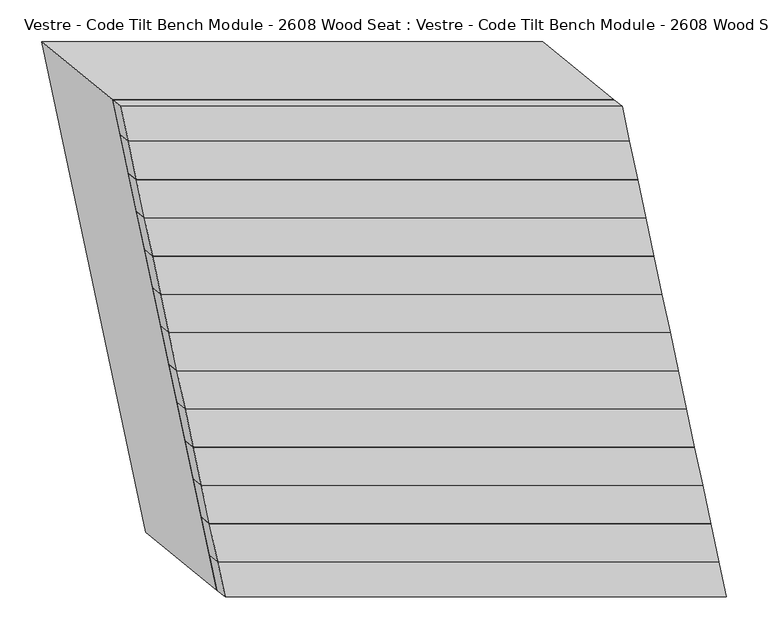
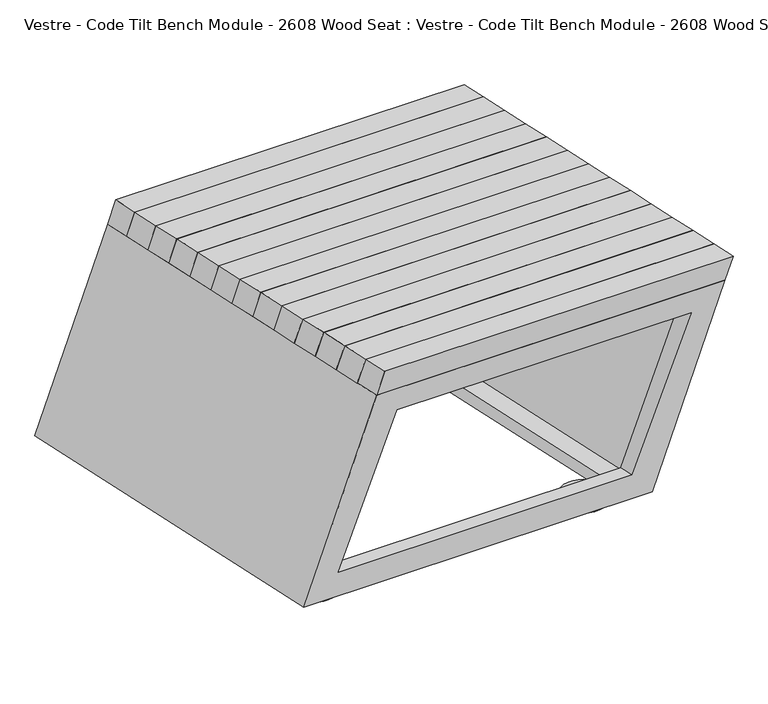
"""IFC4 building model written with IfcOpenShell, lengths in millimetres: furniture geometry, Vestre - Code Tilt Bench Module - 2608 Wood Seat : Vestre - Code Tilt Bench Module - 2608 Wood Seat."""

from ifc_helpers import new_model, si_unit, point, frame, frame_2d, origin, origin_with_axes, place, context, project, spatial, circle_curve, trimmed, segment, composite_curve, outline, extrude, faceted_brep, source, transform, mapped, element, save


def vestre_code_tilt_bench_module_2608_wood_seat_vestre_code_309c81ad(model_context):
    return source(origin(), model_context, "Body", "SolidModel", [
        faceted_brep([(244.0437897, 174.1919917, 465.0), (-355.9562103, 174.1919917, 465.0), (-346.2319436, 128.4429141, 465.0), (253.7680564, 128.4429141, 465.0), (234.3979186, 182.0875693, 419.8134138), (244.1221852, 136.3384916, 419.8134138), (-355.8778148, 136.3384916, 419.8134138), (-365.6020814, 182.0875693, 419.8134138)], [[[0, 1, 2, 3]], [[4, 5, 6, 7]], [[4, 7, 1, 0]], [[7, 6, 2, 1]], [[6, 5, 3, 2]], [[5, 4, 0, 3]]]),
        faceted_brep([(253.7680564, 128.4429141, 465.0), (-346.2319436, 128.4429141, 465.0), (-336.507677, 82.6938364, 465.0), (263.492323, 82.6938364, 465.0), (244.1221852, 136.3384916, 419.8134138), (253.8464519, 90.5894139, 419.8134138), (-346.1535481, 90.5894139, 419.8134138), (-355.8778148, 136.3384916, 419.8134138)], [[[0, 1, 2, 3]], [[4, 5, 6, 7]], [[4, 7, 1, 0]], [[7, 6, 2, 1]], [[6, 5, 3, 2]], [[5, 4, 0, 3]]]),
        faceted_brep([(263.492323, 82.6938364, 465.0), (-336.507677, 82.6938364, 465.0), (-326.7834103, 36.9447587, 465.0), (273.2165897, 36.9447587, 465.0), (253.8464519, 90.5894139, 419.8134138), (263.5707185, 44.8403363, 419.8134138), (-336.4292815, 44.8403363, 419.8134138), (-346.1535481, 90.5894139, 419.8134138)], [[[0, 1, 2, 3]], [[4, 5, 6, 7]], [[4, 7, 1, 0]], [[7, 6, 2, 1]], [[6, 5, 3, 2]], [[5, 4, 0, 3]]]),
        faceted_brep([(273.2165897, 36.9447587, 465.0), (-326.7834103, 36.9447587, 465.0), (-317.0591437, -8.8043189, 465.0), (282.9408563, -8.8043189, 465.0), (263.5707185, 44.8403363, 419.8134138), (273.2949852, -0.9087414, 419.8134138), (-326.7050148, -0.9087414, 419.8134138), (-336.4292815, 44.8403363, 419.8134138)], [[[0, 1, 2, 3]], [[4, 5, 6, 7]], [[4, 7, 1, 0]], [[7, 6, 2, 1]], [[6, 5, 3, 2]], [[5, 4, 0, 3]]]),
        faceted_brep([(282.9408563, -8.8043189, 465.0), (-317.0591437, -8.8043189, 465.0), (-307.334877, -54.5533966, 465.0), (292.665123, -54.5533966, 465.0), (273.2949852, -0.9087414, 419.8134138), (283.0192518, -46.657819, 419.8134138), (-316.9807482, -46.657819, 419.8134138), (-326.7050148, -0.9087414, 419.8134138)], [[[0, 1, 2, 3]], [[4, 5, 6, 7]], [[4, 7, 1, 0]], [[7, 6, 2, 1]], [[6, 5, 3, 2]], [[5, 4, 0, 3]]]),
        faceted_brep([(292.665123, -54.5533966, 465.0), (-307.334877, -54.5533966, 465.0), (-297.6106104, -100.3024742, 465.0), (302.3893896, -100.3024742, 465.0), (283.0192518, -46.657819, 419.8134138), (292.7435185, -92.4068967, 419.8134138), (-307.2564815, -92.4068967, 419.8134138), (-316.9807482, -46.657819, 419.8134138)], [[[0, 1, 2, 3]], [[4, 5, 6, 7]], [[4, 7, 1, 0]], [[7, 6, 2, 1]], [[6, 5, 3, 2]], [[5, 4, 0, 3]]]),
        faceted_brep([(302.3893896, -100.3024742, 465.0), (-297.6106104, -100.3024742, 465.0), (-287.8863437, -146.0515519, 465.0), (312.1136563, -146.0515519, 465.0), (292.7435185, -92.4068967, 419.8134138), (302.4677851, -138.1559744, 419.8134138), (-297.5322149, -138.1559744, 419.8134138), (-307.2564815, -92.4068967, 419.8134138)], [[[0, 1, 2, 3]], [[4, 5, 6, 7]], [[4, 7, 1, 0]], [[7, 6, 2, 1]], [[6, 5, 3, 2]], [[5, 4, 0, 3]]]),
        faceted_brep([(312.1136563, -146.0515519, 465.0), (-287.8863437, -146.0515519, 465.0), (-278.1620771, -191.8006296, 465.0), (321.8379229, -191.8006296, 465.0), (302.4677851, -138.1559744, 419.8134138), (312.1920518, -183.905052, 419.8134138), (-287.8079482, -183.905052, 419.8134138), (-297.5322149, -138.1559744, 419.8134138)], [[[0, 1, 2, 3]], [[4, 5, 6, 7]], [[4, 7, 1, 0]], [[7, 6, 2, 1]], [[6, 5, 3, 2]], [[5, 4, 0, 3]]]),
        faceted_brep([(321.8379229, -191.8006296, 465.0), (-278.1620771, -191.8006296, 465.0), (-268.4378105, -237.5497072, 465.0), (331.5621895, -237.5497072, 465.0), (312.1920518, -183.905052, 419.8134138), (321.9163184, -229.6541297, 419.8134138), (-278.0836816, -229.6541297, 419.8134138), (-287.8079482, -183.905052, 419.8134138)], [[[0, 1, 2, 3]], [[4, 5, 6, 7]], [[4, 7, 1, 0]], [[7, 6, 2, 1]], [[6, 5, 3, 2]], [[5, 4, 0, 3]]]),
        faceted_brep([(331.5621895, -237.5497072, 465.0), (-268.4378105, -237.5497072, 465.0), (-258.7135438, -283.2987849, 465.0), (341.2864562, -283.2987849, 465.0), (321.9163184, -229.6541297, 419.8134138), (331.6405851, -275.4032074, 419.8134138), (-268.3594149, -275.4032074, 419.8134138), (-278.0836816, -229.6541297, 419.8134138)], [[[0, 1, 2, 3]], [[4, 5, 6, 7]], [[4, 7, 1, 0]], [[7, 6, 2, 1]], [[6, 5, 3, 2]], [[5, 4, 0, 3]]]),
        faceted_brep([(341.2864562, -283.2987849, 465.0), (-258.7135438, -283.2987849, 465.0), (-248.9892772, -329.0478626, 465.0), (351.0107228, -329.0478626, 465.0), (331.6405851, -275.4032074, 419.8134138), (341.3648517, -321.152285, 419.8134138), (-258.6351483, -321.152285, 419.8134138), (-268.3594149, -275.4032074, 419.8134138)], [[[0, 1, 2, 3]], [[4, 5, 6, 7]], [[4, 7, 1, 0]], [[7, 6, 2, 1]], [[6, 5, 3, 2]], [[5, 4, 0, 3]]]),
        faceted_brep([(235.1533674, 216.0181403, 465.0), (-364.8466326, 216.0181403, 465.0), (-355.9562103, 174.1919917, 465.0), (244.0437897, 174.1919917, 465.0), (225.5082596, 223.9101268, 419.8134138), (234.3979186, 182.0875693, 419.8134138), (-365.6020814, 182.0875693, 419.8134138), (-374.4917404, 223.9101268, 419.8134138)], [[[0, 1, 2, 3]], [[4, 5, 6, 7]], [[4, 7, 1, 0]], [[7, 6, 2, 1]], [[6, 5, 3, 2]], [[5, 4, 0, 3]]]),
        extrude(outline(composite_curve([segment(trimmed(circle_curve(frame_2d((-379.2374486, 228.4385142)), 5.0), [point((-374.2374486, 228.4385142))], [point((-384.2374486, 228.4385142))], False, "CARTESIAN"), True, "CONTINUOUS"), segment(trimmed(circle_curve(frame_2d((-379.2374486, 228.4385142)), 5.0), [point((-384.2374486, 228.4385142))], [point((-374.2374486, 228.4385142))], False, "CARTESIAN"), True, "CONTINUOUS")], self_intersect=False)), frame((0.0, 0.0, 5.0), z_axis=(0.0, 0.0, 1.0), x_axis=(1.0, 0.0, 0.0)), (0.0, 0.0, 1.0), 16.8677277),
        extrude(outline(composite_curve([segment(trimmed(circle_curve(frame_2d((87.8263213, 228.4385142)), 5.0), [point((92.8263213, 228.4385142))], [point((82.8263213, 228.4385142))], False, "CARTESIAN"), True, "CONTINUOUS"), segment(trimmed(circle_curve(frame_2d((87.8263213, 228.4385142)), 5.0), [point((82.8263213, 228.4385142))], [point((92.8263213, 228.4385142))], False, "CARTESIAN"), True, "CONTINUOUS")], self_intersect=False)), frame((0.0, 0.0, 5.0), z_axis=(0.0, 0.0, 1.0), x_axis=(1.0, 0.0, 0.0)), (0.0, 0.0, 1.0), 16.8677277),
        faceted_brep([(-249.744726, -362.9784336, 419.8134138), (350.255274, -362.9784336, 419.8134138), (225.5082596, 223.9101268, 419.8134138), (-374.4917404, 223.9101268, 419.8134138), (287.594671, -312.2208839, 419.8134138), (-208.6618234, -312.2208839, 419.8134138), (-314.2670481, 184.6126361, 419.8134138), (181.9894462, 184.6126361, 419.8134138), (-334.6932278, -293.4442802, 21.8677277), (-459.4402423, 293.4442802, 21.8677277), (140.5597577, 293.4442802, 21.8677277), (265.3067722, -293.4442802, 21.8677277), (-293.6103253, -242.6867305, 21.8677277), (202.6461691, -242.6867305, 21.8677277), (99.0835894, 244.5369002, 21.8677277), (-397.172905, 244.5369002, 21.8677277), (-209.3488955, -355.103719, 374.7462265), (296.709699, -355.103719, 374.7462265), (225.0941493, -302.1809189, 71.8677277), (-280.9644451, -302.1809189, 71.8677277), (284.0453984, -309.3156453, 403.1866612), (-212.211096, -309.3156453, 403.1866612), (-289.5258429, -246.0300623, 41.0016985), (206.7306515, -246.0300623, 41.0016985), (178.5255183, 187.1163595, 403.1866612), (103.0698576, 241.6556298, 41.0016985), (-317.730976, 187.1163595, 403.1866612), (-393.1866367, 241.6556298, 41.0016985), (-215.0563962, -328.2520393, 374.7462265), (291.0021983, -328.2520393, 374.7462265), (219.9541961, -277.9993402, 71.8677277), (-286.1043984, -277.9993402, 71.8677277), (-224.6981062, -332.9707916, 403.1866612), (-340.5414324, 212.0292084, 403.1866612), (201.2990829, 212.0292084, 403.1866612), (317.142409, -332.9707916, 403.1866612), (-322.5535579, -272.8781405, 41.0016985), (246.6076242, -272.8781405, 41.0016985), (131.2549878, 269.8133464, 41.0016985), (-437.9061944, 269.8133464, 41.0016985)], [[[0, 1, 2, 3], [4, 5, 6, 7]], [[8, 9, 10, 11], [12, 13, 14, 15]], [[1, 0, 8, 11], [16, 17, 18, 19]], [[2, 1, 11, 10]], [[3, 2, 10, 9]], [[0, 3, 9, 8]], [[5, 4, 20, 21]], [[13, 12, 22, 23]], [[4, 7, 24, 20]], [[14, 13, 23, 25]], [[7, 6, 26, 24]], [[15, 14, 25, 27]], [[6, 5, 21, 26]], [[12, 15, 27, 22]], [[17, 16, 28, 29]], [[19, 18, 30, 31]], [[18, 17, 29, 30]], [[16, 19, 31, 28]], [[32, 33, 34, 35], [21, 20, 24, 26]], [[36, 37, 38, 39], [23, 22, 27, 25]], [[32, 35, 37, 36], [29, 28, 31, 30]], [[35, 34, 38, 37]], [[34, 33, 39, 38]], [[33, 32, 36, 39]]]),
        faceted_brep([(351.0107228, -329.0478626, 465.0), (-248.9892772, -329.0478626, 465.0), (-240.0988548, -370.8740111, 465.0), (359.9011452, -370.8740111, 465.0), (341.3648517, -321.152285, 419.8134138), (350.255274, -362.9784336, 419.8134138), (-249.744726, -362.9784336, 419.8134138), (-258.6351483, -321.152285, 419.8134138)], [[[0, 1, 2, 3]], [[4, 5, 6, 7]], [[4, 7, 1, 0]], [[7, 6, 2, 1]], [[6, 5, 3, 2]], [[5, 4, 0, 3]]]),
        extrude(outline(composite_curve([segment(trimmed(circle_curve(frame_2d((-379.2930885, 228.6816045)), 40.0), [point((-339.2930885, 228.6816045))], [point((-419.2930885, 228.6816045))], False, "CARTESIAN"), True, "CONTINUOUS"), segment(trimmed(circle_curve(frame_2d((-379.2930885, 228.6816045)), 40.0), [point((-419.2930885, 228.6816045))], [point((-339.2930885, 228.6816045))], False, "CARTESIAN"), True, "CONTINUOUS")], self_intersect=False)), origin_with_axes(), (0.0, 0.0, 1.0), 5.0),
        extrude(outline(composite_curve([segment(trimmed(circle_curve(frame_2d((87.7706813, 228.6816045)), 40.0), [point((127.7706813, 228.6816045))], [point((47.7706813, 228.6816045))], False, "CARTESIAN"), True, "CONTINUOUS"), segment(trimmed(circle_curve(frame_2d((87.7706813, 228.6816045)), 40.0), [point((47.7706813, 228.6816045))], [point((127.7706813, 228.6816045))], False, "CARTESIAN"), True, "CONTINUOUS")], self_intersect=False)), origin_with_axes(), (0.0, 0.0, 1.0), 5.0),
        extrude(outline(composite_curve([segment(trimmed(circle_curve(frame_2d((-282.0328456, -228.5027868)), 5.0), [point((-287.0328456, -228.5027868))], [point((-277.0328456, -228.5027868))], False, "CARTESIAN"), True, "CONTINUOUS"), segment(trimmed(circle_curve(frame_2d((-282.0328456, -228.5027868)), 5.0), [point((-277.0328456, -228.5027868))], [point((-287.0328456, -228.5027868))], False, "CARTESIAN"), True, "CONTINUOUS")], self_intersect=False)), frame((0.0, 0.0, 5.0), z_axis=(0.0, 0.0, 1.0), x_axis=(1.0, 0.0, 0.0)), (0.0, 0.0, 1.0), 16.8677277),
        extrude(outline(composite_curve([segment(trimmed(circle_curve(frame_2d((184.9661106, -228.5027868)), 5.0), [point((179.9661106, -228.5027868))], [point((189.9661106, -228.5027868))], False, "CARTESIAN"), True, "CONTINUOUS"), segment(trimmed(circle_curve(frame_2d((184.9661106, -228.5027868)), 5.0), [point((189.9661106, -228.5027868))], [point((179.9661106, -228.5027868))], False, "CARTESIAN"), True, "CONTINUOUS")], self_intersect=False)), frame((0.0, 0.0, 5.0), z_axis=(0.0, 0.0, 1.0), x_axis=(1.0, 0.0, 0.0)), (0.0, 0.0, 1.0), 16.8677277),
        extrude(outline(composite_curve([segment(trimmed(circle_curve(frame_2d((-281.9772057, -228.2596966)), 40.0), [point((-321.9772057, -228.2596966))], [point((-241.9772057, -228.2596966))], False, "CARTESIAN"), True, "CONTINUOUS"), segment(trimmed(circle_curve(frame_2d((-281.9772057, -228.2596966)), 40.0), [point((-241.9772057, -228.2596966))], [point((-321.9772057, -228.2596966))], False, "CARTESIAN"), True, "CONTINUOUS")], self_intersect=False)), origin_with_axes(), (0.0, 0.0, 1.0), 5.0),
        extrude(outline(composite_curve([segment(trimmed(circle_curve(frame_2d((185.0217505, -228.2596966)), 40.0), [point((145.0217505, -228.2596966))], [point((225.0217505, -228.2596966))], False, "CARTESIAN"), True, "CONTINUOUS"), segment(trimmed(circle_curve(frame_2d((185.0217505, -228.2596966)), 40.0), [point((225.0217505, -228.2596966))], [point((145.0217505, -228.2596966))], False, "CARTESIAN"), True, "CONTINUOUS")], self_intersect=False)), origin_with_axes(), (0.0, 0.0, 1.0), 5.0),
    ])


if __name__ == "__main__":
    model = new_model("IFC4")
    model_context = context("Model", 3, world=origin())
    ifc_project = project(units=[si_unit("LENGTHUNIT", "METRE", prefix="MILLI")], contexts=[model_context])
    site = spatial("IfcSite", under=ifc_project)
    building = spatial("IfcBuilding", under=site)
    placement = place(None, origin())
    vestre_code_tilt_bench_module_2608_wood_seat_vestre_code_shape = vestre_code_tilt_bench_module_2608_wood_seat_vestre_code_309c81ad(model_context)
    element("IfcFurniture", 1, ObjectType="Vestre - Code Tilt Bench Module - 2608 Wood Seat : Vestre - Code Tilt Bench Module - 2608 Wood Seat", at=placement, inside=building, context=model_context, shape_type="MappedRepresentation", body=[
        mapped(vestre_code_tilt_bench_module_2608_wood_seat_vestre_code_shape, transform((0.0, 0.0, 0.0), x_axis=(1.0, 0.0, 0.0), y_axis=(0.0, 1.0, 0.0), z_axis=(0.0, 0.0, 1.0))),
    ])
    save(model, "model.ifc")
